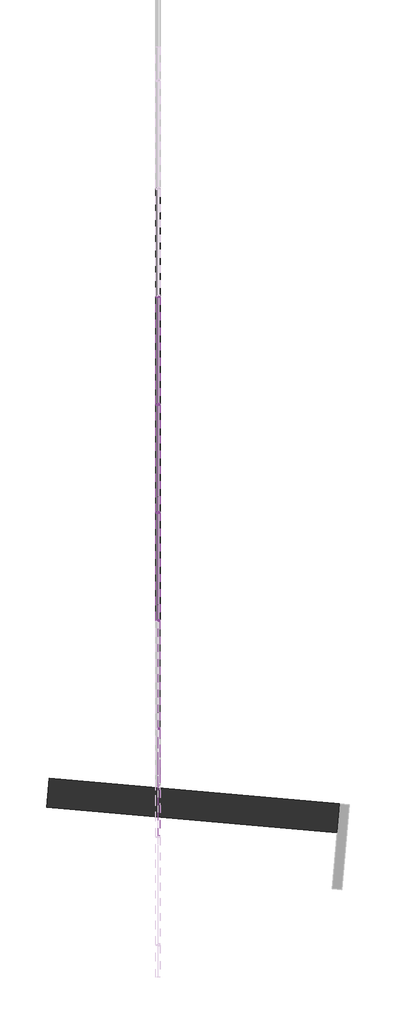
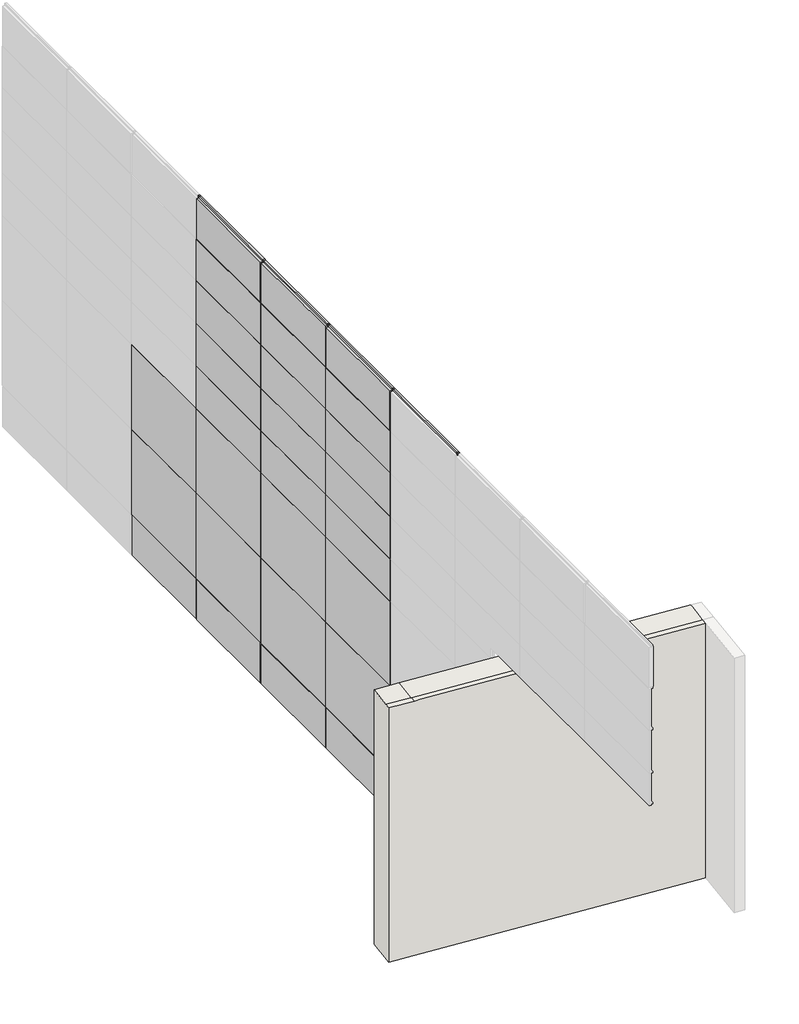
# One storey, part 8 of 36: 82 members, 27 plates, 1 wall.
"""IFC4 building model written with IfcOpenShell, lengths in millimetres."""

import ifcopenshell
import ifcopenshell.guid

model = None  # the IFC model being written
_history = None  # IfcOwnerHistory: only IFC2X3 demands one
_inside = {}  # id of a spatial element -> (the spatial element, [elements in it])
_under = {}  # id of a project, library or spatial element -> (it, [spatial elements below it])
_declared = {}  # id of a project -> (the project, [libraries it declares])
_typed = {}  # id of a type object -> (the type object, [elements of that type])
_made_of = {}  # id of a material, layer set ... -> (it, [elements and type objects made of it])


def new_model(schema):
    """Start an empty IFC model of exactly this schema.

    Asked for "IFC4X3", IfcOpenShell would pick the latest addendum, in which some entities
    have other attributes; the version numbers below select the first issue.
    IFC2X3 requires an IfcOwnerHistory on every rooted entity: one is made here for all.
    """
    global model, _history
    if schema == "IFC4X3":
        model = ifcopenshell.file(schema_version=(4, 3, 0, 0))
    else:
        model = ifcopenshell.file(schema=schema)
    _inside.clear()
    _under.clear()
    _declared.clear()
    _typed.clear()
    _made_of.clear()
    _history = None
    if model.schema == "IFC2X3":
        org = make("IfcOrganization", Name="unknown")
        user = make(
            "IfcPersonAndOrganization",
            ThePerson=make("IfcPerson", FamilyName="unknown"),
            TheOrganization=org,
        )
        app = make(
            "IfcApplication",
            ApplicationDeveloper=org,
            Version="unknown",
            ApplicationFullName="unknown",
            ApplicationIdentifier="unknown",
        )
        _history = make(
            "IfcOwnerHistory",
            OwningUser=user,
            OwningApplication=app,
            ChangeAction="ADDED",
            CreationDate=0,
        )
    return model


def make(cls, **values):
    """One entity of the class cls with the attributes given. An attribute that is None is left unset."""
    return model.create_entity(
        cls, **{name: value for name, value in values.items() if value is not None}
    )


def rooted(cls, **values):
    """An entity with a GlobalId (a new one), such as an element, a storey or a relation."""
    return make(cls, GlobalId=ifcopenshell.guid.new(), OwnerHistory=_history, **values)


def si_unit(unit_type, name, prefix=None):
    """IfcSIUnit, for example si_unit("LENGTHUNIT", "METRE", prefix="MILLI")."""
    return make("IfcSIUnit", UnitType=unit_type, Prefix=prefix, Name=name)


def assignment(units):
    """IfcUnitAssignment: the units of a project."""
    return None if units is None else make("IfcUnitAssignment", Units=units)


def point(xyz):
    """IfcCartesianPoint."""
    return None if xyz is None else make("IfcCartesianPoint", Coordinates=xyz)


def direction(xyz):
    """IfcDirection."""
    return None if xyz is None else make("IfcDirection", DirectionRatios=xyz)


def frame(location, z_axis=None, x_axis=None):
    """IfcAxis2Placement3D, a coordinate frame: its origin and axes. An axis left out is left unset."""
    return make(
        "IfcAxis2Placement3D",
        Location=point(location),
        Axis=direction(z_axis),
        RefDirection=direction(x_axis),
    )


def origin():
    """The frame at (0, 0, 0) with its axes left unset."""
    return frame((0.0, 0.0, 0.0))


def origin_with_axes():
    """The frame at (0, 0, 0) with the z axis (0, 0, 1) and the x axis (1, 0, 0) written out."""
    return frame((0.0, 0.0, 0.0), z_axis=(0.0, 0.0, 1.0), x_axis=(1.0, 0.0, 0.0))


def place(relative_to, where):
    """IfcLocalPlacement: puts the frame where relative to a parent placement (None: the world)."""
    return make(
        "IfcLocalPlacement", PlacementRelTo=relative_to, RelativePlacement=where
    )


def context(
    kind, dimensions, precision=None, world=None, true_north=None, identifier=None
):
    """IfcGeometricRepresentationContext, for example the 3D "Model" context."""
    return make(
        "IfcGeometricRepresentationContext",
        ContextIdentifier=identifier,
        ContextType=kind,
        CoordinateSpaceDimension=dimensions,
        Precision=precision,
        WorldCoordinateSystem=world,
        TrueNorth=true_north,
    )


def project(units=None, contexts=None):
    """IfcProject with its units and contexts."""
    return rooted(
        "IfcProject",
        Name="project",
        RepresentationContexts=contexts,
        UnitsInContext=assignment(units),
    )


def spatial(cls, under=None, at=None, **own):
    """A site, building, storey or space (cls), placed at a placement, below another one or the project."""
    s = rooted(cls, ObjectPlacement=at, **own)
    if under is not None:
        _under.setdefault(under.id(), (under, []))[1].append(s)
    return s


def polyline(points):
    """IfcPolyline through the points."""
    return make("IfcPolyline", Points=[point(p) for p in points])


def outline(outer, holes=None, kind="AREA"):
    """IfcArbitraryClosedProfileDef: a profile drawn as a closed curve; with holes, ...WithVoids."""
    if holes is None:
        return make("IfcArbitraryClosedProfileDef", ProfileType=kind, OuterCurve=outer)
    return make(
        "IfcArbitraryProfileDefWithVoids",
        ProfileType=kind,
        OuterCurve=outer,
        InnerCurves=holes,
    )


def extrude(swept, where, along, depth):
    """IfcExtrudedAreaSolid: the profile swept, set in the frame where, extruded along a direction by depth."""
    return make(
        "IfcExtrudedAreaSolid",
        SweptArea=swept,
        Position=where,
        ExtrudedDirection=direction(along),
        Depth=depth,
    )


def faces_of(points, faces, orient=None, outer=None):
    """IfcFace entities. A face is a list of loops; a loop is a list of indices into points, from 0.

    orient and outer hold one flag for each loop. By default every Orientation is true, the
    first loop of a face is its IfcFaceOuterBound and the others are IfcFaceBound.
    """
    made = []
    for i, loops in enumerate(faces):
        bounds = []
        for j, loop in enumerate(loops):
            is_outer = j == 0 if outer is None else outer[i][j]
            bounds.append(
                make(
                    "IfcFaceOuterBound" if is_outer else "IfcFaceBound",
                    Bound=make("IfcPolyLoop", Polygon=[points[k] for k in loop]),
                    Orientation=True if orient is None else orient[i][j],
                )
            )
        made.append(make("IfcFace", Bounds=bounds))
    return made


def faceted_brep(points, faces, orient=None, outer=None, voids=None):
    """IfcFacetedBrep: a solid bounded by flat faces; with voids (closed shells), ...WithVoids."""
    shared = [point(p) for p in points]
    hull = make("IfcClosedShell", CfsFaces=faces_of(shared, faces, orient, outer))
    if voids is None:
        return make("IfcFacetedBrep", Outer=hull)
    return make(
        "IfcFacetedBrepWithVoids",
        Outer=hull,
        Voids=[
            make(cls, CfsFaces=faces_of(shared, fs, o, b)) for cls, fs, o, b in voids
        ],
    )


def shape(context_of_items, identifier, shape_type, items):
    """IfcShapeRepresentation: the items that make up one representation, for example the "Body"."""
    return make(
        "IfcShapeRepresentation",
        ContextOfItems=context_of_items,
        RepresentationIdentifier=identifier,
        RepresentationType=shape_type,
        Items=items,
    )


def source(mapping_origin, context_of_items, identifier, shape_type, items):
    """IfcRepresentationMap: a shape defined once, which mapped items show again and again."""
    return make(
        "IfcRepresentationMap",
        MappingOrigin=mapping_origin,
        MappedRepresentation=shape(context_of_items, identifier, shape_type, items),
    )


def transform(
    local_origin,
    x_axis=None,
    y_axis=None,
    z_axis=None,
    scale=None,
    scale2=None,
    scale3=None,
    uniform=True,
):
    """IfcCartesianTransformationOperator3D, or its non-uniform kind. x_axis, y_axis, z_axis: its Axis1, 2, 3."""
    if uniform:
        return make(
            "IfcCartesianTransformationOperator3D",
            Axis1=direction(x_axis),
            Axis2=direction(y_axis),
            LocalOrigin=point(local_origin),
            Scale=scale,
            Axis3=direction(z_axis),
        )
    return make(
        "IfcCartesianTransformationOperator3DnonUniform",
        Axis1=direction(x_axis),
        Axis2=direction(y_axis),
        LocalOrigin=point(local_origin),
        Scale=scale,
        Axis3=direction(z_axis),
        Scale2=scale2,
        Scale3=scale3,
    )


def mapped(mapping_source, mapping_target):
    """IfcMappedItem: shows the shape of a source again, moved by a transform."""
    return make(
        "IfcMappedItem", MappingSource=mapping_source, MappingTarget=mapping_target
    )


def made_of(thing, what):
    """Note that an element or type object is made of a material, layer set ...; save() writes the relation."""
    if what is not None:
        _made_of.setdefault(what.id(), (what, []))[1].append(thing)
    return thing


def element(
    cls,
    number,
    at=None,
    inside=None,
    cuts=None,
    type_object=None,
    material=None,
    context=None,
    identifier="Body",
    shape_type=None,
    held_by="IfcProductDefinitionShape",
    body=None,
    shapes=None,
    **own,
):
    """One element of the class cls, such as IfcWall. Its Tag is "e" and its number.

    at: its placement. inside: the storey or other place that contains it. cuts: it is an
    opening in that element (IfcRelVoidsElement). A single representation is given by context,
    identifier, shape_type and body (its items); several are given by shapes. held_by: the class
    of the entity that holds the representations. save() writes the other relations.
    """
    e = rooted(cls, Tag="e%d" % number, ObjectPlacement=at, **own)
    if body is not None:
        shapes = [shape(context, identifier, shape_type, body)]
    if shapes is not None:
        e.Representation = make(held_by, Representations=shapes)
    if inside is not None:
        _inside.setdefault(inside.id(), (inside, []))[1].append(e)
    if cuts is not None:
        rooted(
            "IfcRelVoidsElement", RelatingBuildingElement=cuts, RelatedOpeningElement=e
        )
    if type_object is not None:
        _typed.setdefault(type_object.id(), (type_object, []))[1].append(e)
    return made_of(e, material)


def aggregate(whole, parts):
    """IfcRelAggregates: a whole, such as a stair, and the parts it consists of."""
    return rooted("IfcRelAggregates", RelatingObject=whole, RelatedObjects=parts)


def save(model, path):
    """Write the relations noted so far, then the file.

    IfcRelAggregates (storeys below a building ...), IfcRelContainedInSpatialStructure (elements
    in a storey), IfcRelDefinesByType, IfcRelAssociatesMaterial and IfcRelDeclares: one each for
    every whole, place, type object, material and project.
    """
    for whole, parts in _under.values():
        aggregate(whole, parts)
    for where, things in _inside.values():
        rooted(
            "IfcRelContainedInSpatialStructure",
            RelatedElements=things,
            RelatingStructure=where,
        )
    for kind, things in _typed.values():
        rooted("IfcRelDefinesByType", RelatedObjects=things, RelatingType=kind)
    for what, things in _made_of.values():
        rooted("IfcRelAssociatesMaterial", RelatedObjects=things, RelatingMaterial=what)
    for by, libraries in _declared.values():
        rooted("IfcRelDeclares", RelatingContext=by, RelatedDefinitions=libraries)
    model.write(path)


def member_f4845628(model_context):
    return source(origin(), model_context, "Body", "SweptSolid", [
        extrude(outline(polyline([(12.7, 12.7), (12.7, -12.7), (-12.7, -12.7), (-12.7, 12.7), (12.7, 12.7)])), frame((0.0, 0.0, -1219.2), z_axis=(0.0, 0.0, 1.0), x_axis=(1.0, 0.0, 0.0)), (0.0, 0.0, 1.0), 1219.2),
    ])


def member_6604d1e0(model_context):
    return source(origin(), model_context, "Body", "SweptSolid", [
        extrude(outline(polyline([(0.0, 12.7), (0.0, -12.7), (-25.4, -12.7), (-25.4, 12.7), (0.0, 12.7)])), frame((0.0, 0.0, -1498.6), z_axis=(0.0, 0.0, 1.0), x_axis=(1.0, 0.0, 0.0)), (0.0, 0.0, 1.0), 1498.6),
    ])


def member_9fd3d903(model_context):
    return source(origin(), model_context, "Body", "SweptSolid", [
        extrude(outline(polyline([(12.7, 12.7), (12.7, -12.7), (-12.7, -12.7), (-12.7, 12.7), (12.7, 12.7)])), frame((0.0, 0.0, -1498.6), z_axis=(0.0, 0.0, 1.0), x_axis=(1.0, 0.0, 0.0)), (0.0, 0.0, 1.0), 1498.6),
    ])


def member_3e1f1dd8(model_context):
    return source(origin(), model_context, "Body", "SweptSolid", [
        extrude(outline(polyline([(12.7, 12.7), (12.7, -12.7), (-12.7, -12.7), (-12.7, 12.7), (12.7, 12.7)])), frame((0.0, 0.0, -609.6), z_axis=(0.0, 0.0, 1.0), x_axis=(1.0, 0.0, 0.0)), (0.0, 0.0, 1.0), 609.6),
    ])


def member_93cf2621(model_context):
    return source(origin(), model_context, "Body", "SweptSolid", [
        extrude(outline(polyline([(12.7, 12.7), (12.7, -12.7), (-12.7, -12.7), (-12.7, 12.7), (12.7, 12.7)])), frame((0.0, 0.0, -622.3), z_axis=(0.0, 0.0, 1.0), x_axis=(1.0, 0.0, 0.0)), (0.0, 0.0, 1.0), 622.3),
    ])


def member_0acad92b(model_context):
    return source(origin(), model_context, "Body", "SweptSolid", [
        extrude(outline(polyline([(12.7, 12.7), (12.7, -12.7), (-12.7, -12.7), (-12.7, 12.7), (12.7, 12.7)])), frame((0.0, 0.0, -596.9), z_axis=(0.0, 0.0, 1.0), x_axis=(1.0, 0.0, 0.0)), (0.0, 0.0, 1.0), 596.9),
    ])


def member_20523a67(model_context):
    return source(origin(), model_context, "Body", "SweptSolid", [
        extrude(outline(polyline([(12.7, 12.7), (12.7, -12.7), (-12.7, -12.7), (-12.7, 12.7), (12.7, 12.7)])), frame((0.0, 0.0, -789.3590832), z_axis=(0.0, 0.0, 1.0), x_axis=(1.0, 0.0, 0.0)), (0.0, 0.0, 1.0), 789.3590832),
    ])


def system_panel_glazed_327285c7(model_context):
    return source(origin(), model_context, "Body", "SweptSolid", [
        extrude(outline(polyline([(762.0, 19.05), (-762.0, 19.05), (-762.0, 44.45), (762.0, 44.45), (762.0, 19.05)])), origin_with_axes(), (0.0, 0.0, 1.0), 609.6),
    ])


def system_panel_glazed_14200f5a(model_context):
    return source(origin(), model_context, "Body", "SweptSolid", [
        extrude(outline(polyline([(762.0, 19.05), (-762.0, 19.05), (-762.0, 44.45), (762.0, 44.45), (762.0, 19.05)])), origin_with_axes(), (0.0, 0.0, 1.0), 1219.2),
    ])


def system_panel_glazed_39099b5e(model_context):
    return source(origin(), model_context, "Body", "SweptSolid", [
        extrude(outline(polyline([(762.0, 19.05), (-762.0, 19.05), (-762.0, 44.45), (762.0, 44.45), (762.0, 19.05)])), origin_with_axes(), (0.0, 0.0, 1.0), 622.3),
    ])


def system_panel_glazed_72237fa4(model_context):
    return source(origin(), model_context, "Body", "SweptSolid", [
        extrude(outline(polyline([(762.0, 19.05), (-762.0, 19.05), (-762.0, 44.45), (762.0, 44.45), (762.0, 19.05)])), origin_with_axes(), (0.0, 0.0, 1.0), 596.9),
    ])


def system_panel_solid_1afbd22d(model_context):
    return source(origin(), model_context, "Body", "SweptSolid", [
        extrude(outline(polyline([(749.3, -19.05), (-749.3, -19.05), (-749.3, 44.45), (749.3, 44.45), (749.3, -19.05)])), origin_with_axes(), (0.0, 0.0, 1.0), 571.5),
    ])


model = new_model("IFC4")

# Units and contexts
model_context = context("Model", 3, world=origin())
ifc_project = project(units=[si_unit("LENGTHUNIT", "METRE", prefix="MILLI")], contexts=[model_context])

# Site, building, storey
site = spatial("IfcSite", under=ifc_project)
building = spatial("IfcBuilding", under=site)
storey = spatial("IfcBuildingStorey", under=building, Elevation=0.0)

# Members
placement = place(None, origin())
member_shape = member_f4845628(model_context)
element("IfcMember", 1, ObjectType="Rectangular Mullion : 1\" Square", at=placement, inside=storey, context=model_context, shape_type="MappedRepresentation", body=[
    mapped(member_shape, transform((-52109.6440345, -10845.009635, 609.6), x_axis=(0.0, 1.0, 0.0), y_axis=(1.0, 0.0, 0.0), z_axis=(0.0, 0.0, -1.0))),
])
element("IfcMember", 2, ObjectType="Rectangular Mullion : 1\" Square", at=placement, inside=storey, context=model_context, shape_type="MappedRepresentation", body=[
    mapped(member_shape, transform((-52109.6440345, -9321.009635, 609.6), x_axis=(0.0, 1.0, 0.0), y_axis=(1.0, 0.0, 0.0), z_axis=(0.0, 0.0, -1.0))),
])
element("IfcMember", 3, ObjectType="Rectangular Mullion : 1\" Square", at=placement, inside=storey, context=model_context, shape_type="MappedRepresentation", body=[
    mapped(member_shape, transform((-52109.6440345, -7797.009635, 609.6), x_axis=(0.0, 1.0, 0.0), y_axis=(1.0, 0.0, 0.0), z_axis=(0.0, 0.0, -1.0))),
])
element("IfcMember", 4, ObjectType="Rectangular Mullion : 1\" Square", at=placement, inside=storey, context=model_context, shape_type="MappedRepresentation", body=[
    mapped(member_shape, transform((-52109.6440345, -6273.009635, 609.6), x_axis=(0.0, 1.0, 0.0), y_axis=(1.0, 0.0, 0.0), z_axis=(0.0, 0.0, -1.0))),
])
element("IfcMember", 5, ObjectType="Rectangular Mullion : 1\" Square", at=placement, inside=storey, context=model_context, shape_type="MappedRepresentation", body=[
    mapped(member_shape, transform((-52109.6440345, -4749.009635, 609.6), x_axis=(0.0, 1.0, 0.0), y_axis=(1.0, 0.0, 0.0), z_axis=(0.0, 0.0, -1.0))),
])
element("IfcMember", 6, ObjectType="Rectangular Mullion : 1\" Square", at=placement, inside=storey, context=model_context, shape_type="MappedRepresentation", body=[
    mapped(member_shape, transform((-52109.6440345, -10845.009635, 1828.8), x_axis=(0.0, 1.0, 0.0), y_axis=(1.0, 0.0, 0.0), z_axis=(0.0, 0.0, -1.0))),
])
element("IfcMember", 7, ObjectType="Rectangular Mullion : 1\" Square", at=placement, inside=storey, context=model_context, shape_type="MappedRepresentation", body=[
    mapped(member_shape, transform((-52109.6440345, -9321.009635, 1828.8), x_axis=(0.0, 1.0, 0.0), y_axis=(1.0, 0.0, 0.0), z_axis=(0.0, 0.0, -1.0))),
])
element("IfcMember", 8, ObjectType="Rectangular Mullion : 1\" Square", at=placement, inside=storey, context=model_context, shape_type="MappedRepresentation", body=[
    mapped(member_shape, transform((-52109.6440345, -7797.009635, 1828.8), x_axis=(0.0, 1.0, 0.0), y_axis=(1.0, 0.0, 0.0), z_axis=(0.0, 0.0, -1.0))),
])
element("IfcMember", 9, ObjectType="Rectangular Mullion : 1\" Square", at=placement, inside=storey, context=model_context, shape_type="MappedRepresentation", body=[
    mapped(member_shape, transform((-52109.6440345, -6273.009635, 1828.8), x_axis=(0.0, 1.0, 0.0), y_axis=(1.0, 0.0, 0.0), z_axis=(0.0, 0.0, -1.0))),
])
element("IfcMember", 10, ObjectType="Rectangular Mullion : 1\" Square", at=placement, inside=storey, context=model_context, shape_type="MappedRepresentation", body=[
    mapped(member_shape, transform((-52109.6440345, -4749.009635, 1828.8), x_axis=(0.0, 1.0, 0.0), y_axis=(1.0, 0.0, 0.0), z_axis=(0.0, 0.0, -1.0))),
])
member_2_shape = member_6604d1e0(model_context)
element("IfcMember", 11, ObjectType="Rectangular Mullion : 1\" Square", at=placement, inside=storey, context=model_context, shape_type="MappedRepresentation", body=[
    mapped(member_2_shape, transform((-52109.6440345, -9333.709635, 6096.0), x_axis=(0.0, 0.0, 1.0), y_axis=(1.0, 0.0, 0.0), z_axis=(0.0, 1.0, 0.0))),
])
element("IfcMember", 12, ObjectType="Rectangular Mullion : 1\" Square", at=placement, inside=storey, context=model_context, shape_type="MappedRepresentation", body=[
    mapped(member_2_shape, transform((-52109.6440345, -7809.709635, 6096.0), x_axis=(0.0, 0.0, 1.0), y_axis=(1.0, 0.0, 0.0), z_axis=(0.0, 1.0, 0.0))),
])
element("IfcMember", 13, ObjectType="Rectangular Mullion : 1\" Square", at=placement, inside=storey, context=model_context, shape_type="MappedRepresentation", body=[
    mapped(member_2_shape, transform((-52109.6440345, -6285.709635, 6096.0), x_axis=(0.0, 0.0, 1.0), y_axis=(1.0, 0.0, 0.0), z_axis=(0.0, 1.0, 0.0))),
])
element("IfcMember", 14, ObjectType="Rectangular Mullion : 1\" Square", at=placement, inside=storey, context=model_context, shape_type="MappedRepresentation", body=[
    mapped(member_2_shape, transform((-52109.6440345, -4761.709635, 6096.0), x_axis=(0.0, 0.0, 1.0), y_axis=(1.0, 0.0, 0.0), z_axis=(0.0, 1.0, 0.0))),
])
element("IfcMember", 15, ObjectType="Rectangular Mullion : 1\" Square", at=placement, inside=storey, context=model_context, shape_type="MappedRepresentation", body=[
    mapped(member_2_shape, transform((-52109.6440345, -9308.309635, 0.0), x_axis=(0.0, 0.0, -1.0), y_axis=(1.0, 0.0, 0.0), z_axis=(0.0, -1.0, 0.0))),
])
element("IfcMember", 16, ObjectType="Rectangular Mullion : 1\" Square", at=placement, inside=storey, context=model_context, shape_type="MappedRepresentation", body=[
    mapped(member_2_shape, transform((-52109.6440345, -7784.309635, 0.0), x_axis=(0.0, 0.0, -1.0), y_axis=(1.0, 0.0, 0.0), z_axis=(0.0, -1.0, 0.0))),
])
element("IfcMember", 17, ObjectType="Rectangular Mullion : 1\" Square", at=placement, inside=storey, context=model_context, shape_type="MappedRepresentation", body=[
    mapped(member_2_shape, transform((-52109.6440345, -6260.309635, 0.0), x_axis=(0.0, 0.0, -1.0), y_axis=(1.0, 0.0, 0.0), z_axis=(0.0, -1.0, 0.0))),
])
element("IfcMember", 18, ObjectType="Rectangular Mullion : 1\" Square", at=placement, inside=storey, context=model_context, shape_type="MappedRepresentation", body=[
    mapped(member_2_shape, transform((-52109.6440345, -4736.309635, 0.0), x_axis=(0.0, 0.0, -1.0), y_axis=(1.0, 0.0, 0.0), z_axis=(0.0, -1.0, 0.0))),
])
member_3_shape = member_9fd3d903(model_context)
element("IfcMember", 19, ObjectType="Rectangular Mullion : 1\" Square", at=placement, inside=storey, context=model_context, shape_type="MappedRepresentation", body=[
    mapped(member_3_shape, transform((-52109.6440345, -9333.709635, 609.6), x_axis=(0.0, 0.0, 1.0), y_axis=(1.0, 0.0, 0.0), z_axis=(0.0, 1.0, 0.0))),
])
element("IfcMember", 20, ObjectType="Rectangular Mullion : 1\" Square", at=placement, inside=storey, context=model_context, shape_type="MappedRepresentation", body=[
    mapped(member_3_shape, transform((-52109.6440345, -7809.709635, 609.6), x_axis=(0.0, 0.0, 1.0), y_axis=(1.0, 0.0, 0.0), z_axis=(0.0, 1.0, 0.0))),
])
element("IfcMember", 21, ObjectType="Rectangular Mullion : 1\" Square", at=placement, inside=storey, context=model_context, shape_type="MappedRepresentation", body=[
    mapped(member_3_shape, transform((-52109.6440345, -6285.709635, 609.6), x_axis=(0.0, 0.0, 1.0), y_axis=(1.0, 0.0, 0.0), z_axis=(0.0, 1.0, 0.0))),
])
element("IfcMember", 22, ObjectType="Rectangular Mullion : 1\" Square", at=placement, inside=storey, context=model_context, shape_type="MappedRepresentation", body=[
    mapped(member_3_shape, transform((-52109.6440345, -4761.709635, 609.6), x_axis=(0.0, 0.0, 1.0), y_axis=(1.0, 0.0, 0.0), z_axis=(0.0, 1.0, 0.0))),
])
element("IfcMember", 23, ObjectType="Rectangular Mullion : 1\" Square", at=placement, inside=storey, context=model_context, shape_type="MappedRepresentation", body=[
    mapped(member_3_shape, transform((-52109.6440345, -9333.709635, 1828.8), x_axis=(0.0, 0.0, 1.0), y_axis=(1.0, 0.0, 0.0), z_axis=(0.0, 1.0, 0.0))),
])
element("IfcMember", 24, ObjectType="Rectangular Mullion : 1\" Square", at=placement, inside=storey, context=model_context, shape_type="MappedRepresentation", body=[
    mapped(member_3_shape, transform((-52109.6440345, -7809.709635, 1828.8), x_axis=(0.0, 0.0, 1.0), y_axis=(1.0, 0.0, 0.0), z_axis=(0.0, 1.0, 0.0))),
])
element("IfcMember", 25, ObjectType="Rectangular Mullion : 1\" Square", at=placement, inside=storey, context=model_context, shape_type="MappedRepresentation", body=[
    mapped(member_3_shape, transform((-52109.6440345, -6285.709635, 1828.8), x_axis=(0.0, 0.0, 1.0), y_axis=(1.0, 0.0, 0.0), z_axis=(0.0, 1.0, 0.0))),
])
element("IfcMember", 26, ObjectType="Rectangular Mullion : 1\" Square", at=placement, inside=storey, context=model_context, shape_type="MappedRepresentation", body=[
    mapped(member_3_shape, transform((-52109.6440345, -4761.709635, 1828.8), x_axis=(0.0, 0.0, 1.0), y_axis=(1.0, 0.0, 0.0), z_axis=(0.0, 1.0, 0.0))),
])
element("IfcMember", 27, ObjectType="Rectangular Mullion : 1\" Square", at=placement, inside=storey, context=model_context, shape_type="MappedRepresentation", body=[
    mapped(member_3_shape, transform((-52109.6440345, -9333.709635, 3048.0), x_axis=(0.0, 0.0, 1.0), y_axis=(1.0, 0.0, 0.0), z_axis=(0.0, 1.0, 0.0))),
])
element("IfcMember", 28, ObjectType="Rectangular Mullion : 1\" Square", at=placement, inside=storey, context=model_context, shape_type="MappedRepresentation", body=[
    mapped(member_3_shape, transform((-52109.6440345, -7809.709635, 3048.0), x_axis=(0.0, 0.0, 1.0), y_axis=(1.0, 0.0, 0.0), z_axis=(0.0, 1.0, 0.0))),
])
element("IfcMember", 29, ObjectType="Rectangular Mullion : 1\" Square", at=placement, inside=storey, context=model_context, shape_type="MappedRepresentation", body=[
    mapped(member_3_shape, transform((-52109.6440345, -6285.709635, 3048.0), x_axis=(0.0, 0.0, 1.0), y_axis=(1.0, 0.0, 0.0), z_axis=(0.0, 1.0, 0.0))),
])
element("IfcMember", 30, ObjectType="Rectangular Mullion : 1\" Square", at=placement, inside=storey, context=model_context, shape_type="MappedRepresentation", body=[
    mapped(member_3_shape, transform((-52109.6440345, -4761.709635, 3048.0), x_axis=(0.0, 0.0, 1.0), y_axis=(1.0, 0.0, 0.0), z_axis=(0.0, 1.0, 0.0))),
])
element("IfcMember", 31, ObjectType="Rectangular Mullion : 1\" Square", at=placement, inside=storey, context=model_context, shape_type="MappedRepresentation", body=[
    mapped(member_3_shape, transform((-52109.6440345, -9333.709635, 3657.6), x_axis=(0.0, 0.0, 1.0), y_axis=(1.0, 0.0, 0.0), z_axis=(0.0, 1.0, 0.0))),
])
element("IfcMember", 32, ObjectType="Rectangular Mullion : 1\" Square", at=placement, inside=storey, context=model_context, shape_type="MappedRepresentation", body=[
    mapped(member_3_shape, transform((-52109.6440345, -7809.709635, 3657.6), x_axis=(0.0, 0.0, 1.0), y_axis=(1.0, 0.0, 0.0), z_axis=(0.0, 1.0, 0.0))),
])
element("IfcMember", 33, ObjectType="Rectangular Mullion : 1\" Square", at=placement, inside=storey, context=model_context, shape_type="MappedRepresentation", body=[
    mapped(member_3_shape, transform((-52109.6440345, -6285.709635, 3657.6), x_axis=(0.0, 0.0, 1.0), y_axis=(1.0, 0.0, 0.0), z_axis=(0.0, 1.0, 0.0))),
])
element("IfcMember", 34, ObjectType="Rectangular Mullion : 1\" Square", at=placement, inside=storey, context=model_context, shape_type="MappedRepresentation", body=[
    mapped(member_3_shape, transform((-52109.6440345, -4761.709635, 3657.6), x_axis=(0.0, 0.0, 1.0), y_axis=(1.0, 0.0, 0.0), z_axis=(0.0, 1.0, 0.0))),
])
element("IfcMember", 35, ObjectType="Rectangular Mullion : 1\" Square", at=placement, inside=storey, context=model_context, shape_type="MappedRepresentation", body=[
    mapped(member_3_shape, transform((-52109.6440345, -10857.709635, 4267.2), x_axis=(0.0, 0.0, 1.0), y_axis=(1.0, 0.0, 0.0), z_axis=(0.0, 1.0, 0.0))),
])
element("IfcMember", 36, ObjectType="Rectangular Mullion : 1\" Square", at=placement, inside=storey, context=model_context, shape_type="MappedRepresentation", body=[
    mapped(member_3_shape, transform((-52109.6440345, -9333.709635, 4267.2), x_axis=(0.0, 0.0, 1.0), y_axis=(1.0, 0.0, 0.0), z_axis=(0.0, 1.0, 0.0))),
])
element("IfcMember", 37, ObjectType="Rectangular Mullion : 1\" Square", at=placement, inside=storey, context=model_context, shape_type="MappedRepresentation", body=[
    mapped(member_3_shape, transform((-52109.6440345, -7809.709635, 4267.2), x_axis=(0.0, 0.0, 1.0), y_axis=(1.0, 0.0, 0.0), z_axis=(0.0, 1.0, 0.0))),
])
element("IfcMember", 38, ObjectType="Rectangular Mullion : 1\" Square", at=placement, inside=storey, context=model_context, shape_type="MappedRepresentation", body=[
    mapped(member_3_shape, transform((-52109.6440345, -6285.709635, 4267.2), x_axis=(0.0, 0.0, 1.0), y_axis=(1.0, 0.0, 0.0), z_axis=(0.0, 1.0, 0.0))),
])
element("IfcMember", 39, ObjectType="Rectangular Mullion : 1\" Square", at=placement, inside=storey, context=model_context, shape_type="MappedRepresentation", body=[
    mapped(member_3_shape, transform((-52109.6440345, -4761.709635, 4267.2), x_axis=(0.0, 0.0, 1.0), y_axis=(1.0, 0.0, 0.0), z_axis=(0.0, 1.0, 0.0))),
])
element("IfcMember", 40, ObjectType="Rectangular Mullion : 1\" Square", at=placement, inside=storey, context=model_context, shape_type="MappedRepresentation", body=[
    mapped(member_3_shape, transform((-52109.6440345, -10857.709635, 4889.5), x_axis=(0.0, 0.0, 1.0), y_axis=(1.0, 0.0, 0.0), z_axis=(0.0, 1.0, 0.0))),
])
element("IfcMember", 41, ObjectType="Rectangular Mullion : 1\" Square", at=placement, inside=storey, context=model_context, shape_type="MappedRepresentation", body=[
    mapped(member_3_shape, transform((-52109.6440345, -9333.709635, 4889.5), x_axis=(0.0, 0.0, 1.0), y_axis=(1.0, 0.0, 0.0), z_axis=(0.0, 1.0, 0.0))),
])
element("IfcMember", 42, ObjectType="Rectangular Mullion : 1\" Square", at=placement, inside=storey, context=model_context, shape_type="MappedRepresentation", body=[
    mapped(member_3_shape, transform((-52109.6440345, -7809.709635, 4889.5), x_axis=(0.0, 0.0, 1.0), y_axis=(1.0, 0.0, 0.0), z_axis=(0.0, 1.0, 0.0))),
])
element("IfcMember", 43, ObjectType="Rectangular Mullion : 1\" Square", at=placement, inside=storey, context=model_context, shape_type="MappedRepresentation", body=[
    mapped(member_3_shape, transform((-52109.6440345, -6285.709635, 4889.5), x_axis=(0.0, 0.0, 1.0), y_axis=(1.0, 0.0, 0.0), z_axis=(0.0, 1.0, 0.0))),
])
element("IfcMember", 44, ObjectType="Rectangular Mullion : 1\" Square", at=placement, inside=storey, context=model_context, shape_type="MappedRepresentation", body=[
    mapped(member_3_shape, transform((-52109.6440345, -4761.709635, 4889.5), x_axis=(0.0, 0.0, 1.0), y_axis=(1.0, 0.0, 0.0), z_axis=(0.0, 1.0, 0.0))),
])
element("IfcMember", 45, ObjectType="Rectangular Mullion : 1\" Square", at=placement, inside=storey, context=model_context, shape_type="MappedRepresentation", body=[
    mapped(member_3_shape, transform((-52109.6440345, -10857.709635, 5486.4), x_axis=(0.0, 0.0, 1.0), y_axis=(1.0, 0.0, 0.0), z_axis=(0.0, 1.0, 0.0))),
])
element("IfcMember", 46, ObjectType="Rectangular Mullion : 1\" Square", at=placement, inside=storey, context=model_context, shape_type="MappedRepresentation", body=[
    mapped(member_3_shape, transform((-52109.6440345, -9333.709635, 5486.4), x_axis=(0.0, 0.0, 1.0), y_axis=(1.0, 0.0, 0.0), z_axis=(0.0, 1.0, 0.0))),
])
element("IfcMember", 47, ObjectType="Rectangular Mullion : 1\" Square", at=placement, inside=storey, context=model_context, shape_type="MappedRepresentation", body=[
    mapped(member_3_shape, transform((-52109.6440345, -7809.709635, 5486.4), x_axis=(0.0, 0.0, 1.0), y_axis=(1.0, 0.0, 0.0), z_axis=(0.0, 1.0, 0.0))),
])
element("IfcMember", 48, ObjectType="Rectangular Mullion : 1\" Square", at=placement, inside=storey, context=model_context, shape_type="MappedRepresentation", body=[
    mapped(member_3_shape, transform((-52109.6440345, -6285.709635, 5486.4), x_axis=(0.0, 0.0, 1.0), y_axis=(1.0, 0.0, 0.0), z_axis=(0.0, 1.0, 0.0))),
])
element("IfcMember", 49, ObjectType="Rectangular Mullion : 1\" Square", at=placement, inside=storey, context=model_context, shape_type="MappedRepresentation", body=[
    mapped(member_3_shape, transform((-52109.6440345, -4761.709635, 5486.4), x_axis=(0.0, 0.0, 1.0), y_axis=(1.0, 0.0, 0.0), z_axis=(0.0, 1.0, 0.0))),
])
member_4_shape = member_3e1f1dd8(model_context)
element("IfcMember", 50, ObjectType="Rectangular Mullion : 1\" Square", at=placement, inside=storey, context=model_context, shape_type="MappedRepresentation", body=[
    mapped(member_4_shape, transform((-52109.6440345, -10845.009635, 0.0), x_axis=(0.0, 1.0, 0.0), y_axis=(1.0, 0.0, 0.0), z_axis=(0.0, 0.0, -1.0))),
])
element("IfcMember", 51, ObjectType="Rectangular Mullion : 1\" Square", at=placement, inside=storey, context=model_context, shape_type="MappedRepresentation", body=[
    mapped(member_4_shape, transform((-52109.6440345, -9321.009635, 0.0), x_axis=(0.0, 1.0, 0.0), y_axis=(1.0, 0.0, 0.0), z_axis=(0.0, 0.0, -1.0))),
])
element("IfcMember", 52, ObjectType="Rectangular Mullion : 1\" Square", at=placement, inside=storey, context=model_context, shape_type="MappedRepresentation", body=[
    mapped(member_4_shape, transform((-52109.6440345, -7797.009635, 0.0), x_axis=(0.0, 1.0, 0.0), y_axis=(1.0, 0.0, 0.0), z_axis=(0.0, 0.0, -1.0))),
])
element("IfcMember", 53, ObjectType="Rectangular Mullion : 1\" Square", at=placement, inside=storey, context=model_context, shape_type="MappedRepresentation", body=[
    mapped(member_4_shape, transform((-52109.6440345, -6273.009635, 0.0), x_axis=(0.0, 1.0, 0.0), y_axis=(1.0, 0.0, 0.0), z_axis=(0.0, 0.0, -1.0))),
])
element("IfcMember", 54, ObjectType="Rectangular Mullion : 1\" Square", at=placement, inside=storey, context=model_context, shape_type="MappedRepresentation", body=[
    mapped(member_4_shape, transform((-52109.6440345, -4749.009635, 0.0), x_axis=(0.0, 1.0, 0.0), y_axis=(1.0, 0.0, 0.0), z_axis=(0.0, 0.0, -1.0))),
])
element("IfcMember", 55, ObjectType="Rectangular Mullion : 1\" Square", at=placement, inside=storey, context=model_context, shape_type="MappedRepresentation", body=[
    mapped(member_4_shape, transform((-52109.6440345, -10845.009635, 3048.0), x_axis=(0.0, 1.0, 0.0), y_axis=(1.0, 0.0, 0.0), z_axis=(0.0, 0.0, -1.0))),
])
element("IfcMember", 56, ObjectType="Rectangular Mullion : 1\" Square", at=placement, inside=storey, context=model_context, shape_type="MappedRepresentation", body=[
    mapped(member_4_shape, transform((-52109.6440345, -9321.009635, 3048.0), x_axis=(0.0, 1.0, 0.0), y_axis=(1.0, 0.0, 0.0), z_axis=(0.0, 0.0, -1.0))),
])
element("IfcMember", 57, ObjectType="Rectangular Mullion : 1\" Square", at=placement, inside=storey, context=model_context, shape_type="MappedRepresentation", body=[
    mapped(member_4_shape, transform((-52109.6440345, -7797.009635, 3048.0), x_axis=(0.0, 1.0, 0.0), y_axis=(1.0, 0.0, 0.0), z_axis=(0.0, 0.0, -1.0))),
])
element("IfcMember", 58, ObjectType="Rectangular Mullion : 1\" Square", at=placement, inside=storey, context=model_context, shape_type="MappedRepresentation", body=[
    mapped(member_4_shape, transform((-52109.6440345, -6273.009635, 3048.0), x_axis=(0.0, 1.0, 0.0), y_axis=(1.0, 0.0, 0.0), z_axis=(0.0, 0.0, -1.0))),
])
element("IfcMember", 59, ObjectType="Rectangular Mullion : 1\" Square", at=placement, inside=storey, context=model_context, shape_type="MappedRepresentation", body=[
    mapped(member_4_shape, transform((-52109.6440345, -4749.009635, 3048.0), x_axis=(0.0, 1.0, 0.0), y_axis=(1.0, 0.0, 0.0), z_axis=(0.0, 0.0, -1.0))),
])
element("IfcMember", 60, ObjectType="Rectangular Mullion : 1\" Square", at=placement, inside=storey, context=model_context, shape_type="MappedRepresentation", body=[
    mapped(member_4_shape, transform((-52109.6440345, -10845.009635, 3657.6), x_axis=(0.0, 1.0, 0.0), y_axis=(1.0, 0.0, 0.0), z_axis=(0.0, 0.0, -1.0))),
])
element("IfcMember", 61, ObjectType="Rectangular Mullion : 1\" Square", at=placement, inside=storey, context=model_context, shape_type="MappedRepresentation", body=[
    mapped(member_4_shape, transform((-52109.6440345, -9321.009635, 3657.6), x_axis=(0.0, 1.0, 0.0), y_axis=(1.0, 0.0, 0.0), z_axis=(0.0, 0.0, -1.0))),
])
element("IfcMember", 62, ObjectType="Rectangular Mullion : 1\" Square", at=placement, inside=storey, context=model_context, shape_type="MappedRepresentation", body=[
    mapped(member_4_shape, transform((-52109.6440345, -7797.009635, 3657.6), x_axis=(0.0, 1.0, 0.0), y_axis=(1.0, 0.0, 0.0), z_axis=(0.0, 0.0, -1.0))),
])
element("IfcMember", 63, ObjectType="Rectangular Mullion : 1\" Square", at=placement, inside=storey, context=model_context, shape_type="MappedRepresentation", body=[
    mapped(member_4_shape, transform((-52109.6440345, -6273.009635, 3657.6), x_axis=(0.0, 1.0, 0.0), y_axis=(1.0, 0.0, 0.0), z_axis=(0.0, 0.0, -1.0))),
])
element("IfcMember", 64, ObjectType="Rectangular Mullion : 1\" Square", at=placement, inside=storey, context=model_context, shape_type="MappedRepresentation", body=[
    mapped(member_4_shape, transform((-52109.6440345, -4749.009635, 3657.6), x_axis=(0.0, 1.0, 0.0), y_axis=(1.0, 0.0, 0.0), z_axis=(0.0, 0.0, -1.0))),
])
member_5_shape = member_93cf2621(model_context)
element("IfcMember", 65, ObjectType="Rectangular Mullion : 1\" Square", at=placement, inside=storey, context=model_context, shape_type="MappedRepresentation", body=[
    mapped(member_5_shape, transform((-52109.6440345, -10845.009635, 4267.2), x_axis=(0.0, 1.0, 0.0), y_axis=(1.0, 0.0, 0.0), z_axis=(0.0, 0.0, -1.0))),
])
element("IfcMember", 66, ObjectType="Rectangular Mullion : 1\" Square", at=placement, inside=storey, context=model_context, shape_type="MappedRepresentation", body=[
    mapped(member_5_shape, transform((-52109.6440345, -9321.009635, 4267.2), x_axis=(0.0, 1.0, 0.0), y_axis=(1.0, 0.0, 0.0), z_axis=(0.0, 0.0, -1.0))),
])
element("IfcMember", 67, ObjectType="Rectangular Mullion : 1\" Square", at=placement, inside=storey, context=model_context, shape_type="MappedRepresentation", body=[
    mapped(member_5_shape, transform((-52109.6440345, -7797.009635, 4267.2), x_axis=(0.0, 1.0, 0.0), y_axis=(1.0, 0.0, 0.0), z_axis=(0.0, 0.0, -1.0))),
])
element("IfcMember", 68, ObjectType="Rectangular Mullion : 1\" Square", at=placement, inside=storey, context=model_context, shape_type="MappedRepresentation", body=[
    mapped(member_5_shape, transform((-52109.6440345, -6273.009635, 4267.2), x_axis=(0.0, 1.0, 0.0), y_axis=(1.0, 0.0, 0.0), z_axis=(0.0, 0.0, -1.0))),
])
element("IfcMember", 69, ObjectType="Rectangular Mullion : 1\" Square", at=placement, inside=storey, context=model_context, shape_type="MappedRepresentation", body=[
    mapped(member_5_shape, transform((-52109.6440345, -4749.009635, 4267.2), x_axis=(0.0, 1.0, 0.0), y_axis=(1.0, 0.0, 0.0), z_axis=(0.0, 0.0, -1.0))),
])
member_6_shape = member_0acad92b(model_context)
element("IfcMember", 70, ObjectType="Rectangular Mullion : 1\" Square", at=placement, inside=storey, context=model_context, shape_type="MappedRepresentation", body=[
    mapped(member_6_shape, transform((-52109.6440345, -10845.009635, 4889.5), x_axis=(0.0, 1.0, 0.0), y_axis=(1.0, 0.0, 0.0), z_axis=(0.0, 0.0, -1.0))),
])
element("IfcMember", 71, ObjectType="Rectangular Mullion : 1\" Square", at=placement, inside=storey, context=model_context, shape_type="MappedRepresentation", body=[
    mapped(member_6_shape, transform((-52109.6440345, -9321.009635, 4889.5), x_axis=(0.0, 1.0, 0.0), y_axis=(1.0, 0.0, 0.0), z_axis=(0.0, 0.0, -1.0))),
])
element("IfcMember", 72, ObjectType="Rectangular Mullion : 1\" Square", at=placement, inside=storey, context=model_context, shape_type="MappedRepresentation", body=[
    mapped(member_6_shape, transform((-52109.6440345, -7797.009635, 4889.5), x_axis=(0.0, 1.0, 0.0), y_axis=(1.0, 0.0, 0.0), z_axis=(0.0, 0.0, -1.0))),
])
element("IfcMember", 73, ObjectType="Rectangular Mullion : 1\" Square", at=placement, inside=storey, context=model_context, shape_type="MappedRepresentation", body=[
    mapped(member_6_shape, transform((-52109.6440345, -6273.009635, 4889.5), x_axis=(0.0, 1.0, 0.0), y_axis=(1.0, 0.0, 0.0), z_axis=(0.0, 0.0, -1.0))),
])
element("IfcMember", 74, ObjectType="Rectangular Mullion : 1\" Square", at=placement, inside=storey, context=model_context, shape_type="MappedRepresentation", body=[
    mapped(member_6_shape, transform((-52109.6440345, -4749.009635, 4889.5), x_axis=(0.0, 1.0, 0.0), y_axis=(1.0, 0.0, 0.0), z_axis=(0.0, 0.0, -1.0))),
])
element("IfcMember", 75, ObjectType="Rectangular Mullion : 1\" Square", at=placement, inside=storey, context=model_context, shape_type="MappedRepresentation", body=[
    mapped(member_4_shape, transform((-52109.6440345, -10845.009635, 5486.4), x_axis=(0.0, 1.0, 0.0), y_axis=(1.0, 0.0, 0.0), z_axis=(0.0, 0.0, -1.0))),
])
element("IfcMember", 76, ObjectType="Rectangular Mullion : 1\" Square", at=placement, inside=storey, context=model_context, shape_type="MappedRepresentation", body=[
    mapped(member_4_shape, transform((-52109.6440345, -9321.009635, 5486.4), x_axis=(0.0, 1.0, 0.0), y_axis=(1.0, 0.0, 0.0), z_axis=(0.0, 0.0, -1.0))),
])
element("IfcMember", 77, ObjectType="Rectangular Mullion : 1\" Square", at=placement, inside=storey, context=model_context, shape_type="MappedRepresentation", body=[
    mapped(member_4_shape, transform((-52109.6440345, -7797.009635, 5486.4), x_axis=(0.0, 1.0, 0.0), y_axis=(1.0, 0.0, 0.0), z_axis=(0.0, 0.0, -1.0))),
])
element("IfcMember", 78, ObjectType="Rectangular Mullion : 1\" Square", at=placement, inside=storey, context=model_context, shape_type="MappedRepresentation", body=[
    mapped(member_4_shape, transform((-52109.6440345, -6273.009635, 5486.4), x_axis=(0.0, 1.0, 0.0), y_axis=(1.0, 0.0, 0.0), z_axis=(0.0, 0.0, -1.0))),
])
element("IfcMember", 79, ObjectType="Rectangular Mullion : 1\" Square", at=placement, inside=storey, context=model_context, shape_type="MappedRepresentation", body=[
    mapped(member_4_shape, transform((-52109.6440345, -4749.009635, 5486.4), x_axis=(0.0, 1.0, 0.0), y_axis=(1.0, 0.0, 0.0), z_axis=(0.0, 0.0, -1.0))),
])
member_7_shape = member_20523a67(model_context)
element("IfcMember", 80, ObjectType="Rectangular Mullion : 1\" Square", at=placement, inside=storey, context=model_context, shape_type="MappedRepresentation", body=[
    mapped(member_7_shape, transform((-52109.6440345, -10857.709635, 1828.8), x_axis=(0.0, 0.0, 1.0), y_axis=(1.0, 0.0, 0.0), z_axis=(0.0, 1.0, 0.0))),
])
element("IfcMember", 81, ObjectType="Rectangular Mullion : 1\" Square", at=placement, inside=storey, context=model_context, shape_type="MappedRepresentation", body=[
    mapped(member_7_shape, transform((-52109.6440345, -10857.709635, 3048.0), x_axis=(0.0, 0.0, 1.0), y_axis=(1.0, 0.0, 0.0), z_axis=(0.0, 1.0, 0.0))),
])
element("IfcMember", 82, ObjectType="Rectangular Mullion : 1\" Square", at=placement, inside=storey, context=model_context, shape_type="MappedRepresentation", body=[
    mapped(member_7_shape, transform((-52109.6440345, -10857.709635, 3657.6), x_axis=(0.0, 0.0, 1.0), y_axis=(1.0, 0.0, 0.0), z_axis=(0.0, 1.0, 0.0))),
])

# Plates
system_panel_glazed_shape = system_panel_glazed_327285c7(model_context)
element("IfcPlate", 83, ObjectType="System Panel : Glazed", at=placement, inside=storey, context=model_context, shape_type="MappedRepresentation", body=[
    mapped(system_panel_glazed_shape, transform((-52109.6440345, -8559.009635, 3048.0), x_axis=(0.0, 1.0, 0.0), y_axis=(-1.0, 0.0, 0.0), z_axis=(0.0, 0.0, 1.0))),
])
element("IfcPlate", 84, ObjectType="System Panel : Glazed", at=placement, inside=storey, context=model_context, shape_type="MappedRepresentation", body=[
    mapped(system_panel_glazed_shape, transform((-52109.6440345, -7035.009635, 3048.0), x_axis=(0.0, 1.0, 0.0), y_axis=(-1.0, 0.0, 0.0), z_axis=(0.0, 0.0, 1.0))),
])
element("IfcPlate", 85, ObjectType="System Panel : Glazed", at=placement, inside=storey, context=model_context, shape_type="MappedRepresentation", body=[
    mapped(system_panel_glazed_shape, transform((-52109.6440345, -5511.009635, 3048.0), x_axis=(0.0, 1.0, 0.0), y_axis=(-1.0, 0.0, 0.0), z_axis=(0.0, 0.0, 1.0))),
])
element("IfcPlate", 86, ObjectType="System Panel : Glazed", at=placement, inside=storey, context=model_context, shape_type="MappedRepresentation", body=[
    mapped(system_panel_glazed_shape, transform((-52109.6440345, -8559.009635, 3657.6), x_axis=(0.0, 1.0, 0.0), y_axis=(-1.0, 0.0, 0.0), z_axis=(0.0, 0.0, 1.0))),
])
element("IfcPlate", 87, ObjectType="System Panel : Glazed", at=placement, inside=storey, context=model_context, shape_type="MappedRepresentation", body=[
    mapped(system_panel_glazed_shape, transform((-52109.6440345, -7035.009635, 3657.6), x_axis=(0.0, 1.0, 0.0), y_axis=(-1.0, 0.0, 0.0), z_axis=(0.0, 0.0, 1.0))),
])
element("IfcPlate", 88, ObjectType="System Panel : Glazed", at=placement, inside=storey, context=model_context, shape_type="MappedRepresentation", body=[
    mapped(system_panel_glazed_shape, transform((-52109.6440345, -5511.009635, 3657.6), x_axis=(0.0, 1.0, 0.0), y_axis=(-1.0, 0.0, 0.0), z_axis=(0.0, 0.0, 1.0))),
])
system_panel_glazed_2_shape = system_panel_glazed_14200f5a(model_context)
element("IfcPlate", 89, ObjectType="System Panel : Glazed", at=placement, inside=storey, context=model_context, shape_type="MappedRepresentation", body=[
    mapped(system_panel_glazed_2_shape, transform((-52109.6440345, -8559.009635, 609.6), x_axis=(0.0, 1.0, 0.0), y_axis=(-1.0, 0.0, 0.0), z_axis=(0.0, 0.0, 1.0))),
])
element("IfcPlate", 90, ObjectType="System Panel : Glazed", at=placement, inside=storey, context=model_context, shape_type="MappedRepresentation", body=[
    mapped(system_panel_glazed_2_shape, transform((-52109.6440345, -7035.009635, 609.6), x_axis=(0.0, 1.0, 0.0), y_axis=(-1.0, 0.0, 0.0), z_axis=(0.0, 0.0, 1.0))),
])
element("IfcPlate", 91, ObjectType="System Panel : Glazed", at=placement, inside=storey, context=model_context, shape_type="MappedRepresentation", body=[
    mapped(system_panel_glazed_2_shape, transform((-52109.6440345, -5511.009635, 609.6), x_axis=(0.0, 1.0, 0.0), y_axis=(-1.0, 0.0, 0.0), z_axis=(0.0, 0.0, 1.0))),
])
element("IfcPlate", 92, ObjectType="System Panel : Glazed", at=placement, inside=storey, context=model_context, shape_type="MappedRepresentation", body=[
    mapped(system_panel_glazed_2_shape, transform((-52109.6440345, -3987.009635, 609.6), x_axis=(0.0, 1.0, 0.0), y_axis=(-1.0, 0.0, 0.0), z_axis=(0.0, 0.0, 1.0))),
])
element("IfcPlate", 93, ObjectType="System Panel : Glazed", at=placement, inside=storey, context=model_context, shape_type="MappedRepresentation", body=[
    mapped(system_panel_glazed_2_shape, transform((-52109.6440345, -8559.009635, 1828.8), x_axis=(0.0, 1.0, 0.0), y_axis=(-1.0, 0.0, 0.0), z_axis=(0.0, 0.0, 1.0))),
])
element("IfcPlate", 94, ObjectType="System Panel : Glazed", at=placement, inside=storey, context=model_context, shape_type="MappedRepresentation", body=[
    mapped(system_panel_glazed_2_shape, transform((-52109.6440345, -7035.009635, 1828.8), x_axis=(0.0, 1.0, 0.0), y_axis=(-1.0, 0.0, 0.0), z_axis=(0.0, 0.0, 1.0))),
])
element("IfcPlate", 95, ObjectType="System Panel : Glazed", at=placement, inside=storey, context=model_context, shape_type="MappedRepresentation", body=[
    mapped(system_panel_glazed_2_shape, transform((-52109.6440345, -5511.009635, 1828.8), x_axis=(0.0, 1.0, 0.0), y_axis=(-1.0, 0.0, 0.0), z_axis=(0.0, 0.0, 1.0))),
])
element("IfcPlate", 96, ObjectType="System Panel : Glazed", at=placement, inside=storey, context=model_context, shape_type="MappedRepresentation", body=[
    mapped(system_panel_glazed_2_shape, transform((-52109.6440345, -3987.009635, 1828.8), x_axis=(0.0, 1.0, 0.0), y_axis=(-1.0, 0.0, 0.0), z_axis=(0.0, 0.0, 1.0))),
])
system_panel_glazed_3_shape = system_panel_glazed_39099b5e(model_context)
element("IfcPlate", 97, ObjectType="System Panel : Glazed", at=placement, inside=storey, context=model_context, shape_type="MappedRepresentation", body=[
    mapped(system_panel_glazed_3_shape, transform((-52109.6440345, -8559.009635, 4267.2), x_axis=(0.0, 1.0, 0.0), y_axis=(-1.0, 0.0, 0.0), z_axis=(0.0, 0.0, 1.0))),
])
element("IfcPlate", 98, ObjectType="System Panel : Glazed", at=placement, inside=storey, context=model_context, shape_type="MappedRepresentation", body=[
    mapped(system_panel_glazed_3_shape, transform((-52109.6440345, -7035.009635, 4267.2), x_axis=(0.0, 1.0, 0.0), y_axis=(-1.0, 0.0, 0.0), z_axis=(0.0, 0.0, 1.0))),
])
element("IfcPlate", 99, ObjectType="System Panel : Glazed", at=placement, inside=storey, context=model_context, shape_type="MappedRepresentation", body=[
    mapped(system_panel_glazed_3_shape, transform((-52109.6440345, -5511.009635, 4267.2), x_axis=(0.0, 1.0, 0.0), y_axis=(-1.0, 0.0, 0.0), z_axis=(0.0, 0.0, 1.0))),
])
system_panel_glazed_4_shape = system_panel_glazed_72237fa4(model_context)
element("IfcPlate", 100, ObjectType="System Panel : Glazed", at=placement, inside=storey, context=model_context, shape_type="MappedRepresentation", body=[
    mapped(system_panel_glazed_4_shape, transform((-52109.6440345, -8559.009635, 4889.5), x_axis=(0.0, 1.0, 0.0), y_axis=(-1.0, 0.0, 0.0), z_axis=(0.0, 0.0, 1.0))),
])
element("IfcPlate", 101, ObjectType="System Panel : Glazed", at=placement, inside=storey, context=model_context, shape_type="MappedRepresentation", body=[
    mapped(system_panel_glazed_4_shape, transform((-52109.6440345, -7035.009635, 4889.5), x_axis=(0.0, 1.0, 0.0), y_axis=(-1.0, 0.0, 0.0), z_axis=(0.0, 0.0, 1.0))),
])
element("IfcPlate", 102, ObjectType="System Panel : Glazed", at=placement, inside=storey, context=model_context, shape_type="MappedRepresentation", body=[
    mapped(system_panel_glazed_4_shape, transform((-52109.6440345, -5511.009635, 4889.5), x_axis=(0.0, 1.0, 0.0), y_axis=(-1.0, 0.0, 0.0), z_axis=(0.0, 0.0, 1.0))),
])
system_panel_solid_shape = system_panel_solid_1afbd22d(model_context)
element("IfcPlate", 103, ObjectType="System Panel : Solid", at=placement, inside=storey, context=model_context, shape_type="MappedRepresentation", body=[
    mapped(system_panel_solid_shape, transform((-52109.6440345, -8559.009635, 25.4), x_axis=(0.0, 1.0, 0.0), y_axis=(-1.0, 0.0, 0.0), z_axis=(0.0, 0.0, 1.0))),
])
element("IfcPlate", 104, ObjectType="System Panel : Solid", at=placement, inside=storey, context=model_context, shape_type="MappedRepresentation", body=[
    mapped(system_panel_solid_shape, transform((-52109.6440345, -7035.009635, 25.4), x_axis=(0.0, 1.0, 0.0), y_axis=(-1.0, 0.0, 0.0), z_axis=(0.0, 0.0, 1.0))),
])
element("IfcPlate", 105, ObjectType="System Panel : Solid", at=placement, inside=storey, context=model_context, shape_type="MappedRepresentation", body=[
    mapped(system_panel_solid_shape, transform((-52109.6440345, -5511.009635, 25.4), x_axis=(0.0, 1.0, 0.0), y_axis=(-1.0, 0.0, 0.0), z_axis=(0.0, 0.0, 1.0))),
])
element("IfcPlate", 106, ObjectType="System Panel : Solid", at=placement, inside=storey, context=model_context, shape_type="MappedRepresentation", body=[
    mapped(system_panel_solid_shape, transform((-52109.6440345, -3987.009635, 25.4), x_axis=(0.0, 1.0, 0.0), y_axis=(-1.0, 0.0, 0.0), z_axis=(0.0, 0.0, 1.0))),
])
element("IfcPlate", 107, ObjectType="System Panel : Solid", at=placement, inside=storey, context=model_context, shape_type="MappedRepresentation", body=[
    mapped(system_panel_solid_shape, transform((-52109.6440345, -8559.009635, 5499.1), x_axis=(0.0, 1.0, 0.0), y_axis=(-1.0, 0.0, 0.0), z_axis=(0.0, 0.0, 1.0))),
])
element("IfcPlate", 108, ObjectType="System Panel : Solid", at=placement, inside=storey, context=model_context, shape_type="MappedRepresentation", body=[
    mapped(system_panel_solid_shape, transform((-52109.6440345, -7035.009635, 5499.1), x_axis=(0.0, 1.0, 0.0), y_axis=(-1.0, 0.0, 0.0), z_axis=(0.0, 0.0, 1.0))),
])
element("IfcPlate", 109, ObjectType="System Panel : Solid", at=placement, inside=storey, context=model_context, shape_type="MappedRepresentation", body=[
    mapped(system_panel_solid_shape, transform((-52109.6440345, -5511.009635, 5499.1), x_axis=(0.0, 1.0, 0.0), y_axis=(-1.0, 0.0, 0.0), z_axis=(0.0, 0.0, 1.0))),
])

# Wall
element("IfcWall", 110, ObjectType="Generic - 13+3 1/8\"", at=placement, inside=storey, context=model_context, shape_type="Brep", body=[
    faceted_brep([(-53696.7272922, -11954.7563893, 0.0), (-53288.7108487, -11990.4532026, 0.0), (-49594.4224303, -12313.661559, 0.0), (-49594.4224303, -12313.661559, 3657.6), (-53288.7108487, -11990.4532026, 3657.6), (-53367.7838029, -11983.5352156, 3657.6), (-53696.7272922, -11954.7563893, 3657.6), (-53661.0304788, -11546.7399458, 0.0), (-53661.0304788, -11546.7399458, 3657.6), (-53332.0869895, -11575.5187721, 3657.6), (-49558.725617, -11905.6451156, 3657.6), (-49558.725617, -11905.6451156, 0.0), (-49587.5044432, -12234.5886049, 3657.6), (-53689.8093051, -11875.6834351, 3657.6), (-53360.8658158, -11904.4622614, 3657.6)], [[[0, 1, 2, 3, 4, 5, 6]], [[7, 8, 9, 10, 11]], [[2, 1, 0, 7, 11]], [[3, 2, 11, 10, 12]], [[0, 6, 13, 8, 7]], [[12, 10, 9, 14]], [[6, 5, 14, 13]], [[14, 9, 8, 13]], [[5, 4, 3, 12, 14]]]),
])

save(model, "model.ifc")
